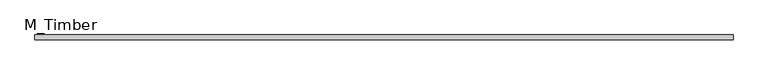
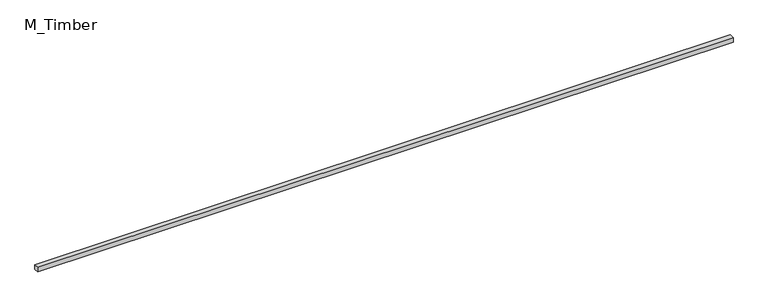
"""IFC4 building model written with IfcOpenShell, lengths in millimetres: beam geometry, M_Timber."""

from ifc_helpers import new_model, si_unit, frame, origin, place, context, project, spatial, polyline, outline, extrude, source, transform, mapped, element, save


def m_timber_94763f27(model_context):
    return source(origin(), model_context, "Body", "SweptSolid", [
        extrude(outline(polyline([(2922.5975552, 20.0), (2922.5975552, -20.0), (-2922.5975552, -20.0), (-2922.5975552, 20.0), (2922.5975552, 20.0)])), frame((0.0, 0.0, -20.0), z_axis=(0.0, 0.0, 1.0), x_axis=(1.0, 0.0, 0.0)), (0.0, 0.0, 1.0), 40.0),
    ])


if __name__ == "__main__":
    model = new_model("IFC4")
    model_context = context("Model", 3, world=origin())
    ifc_project = project(units=[si_unit("LENGTHUNIT", "METRE", prefix="MILLI")], contexts=[model_context])
    site = spatial("IfcSite", under=ifc_project)
    building = spatial("IfcBuilding", under=site)
    placement = place(None, origin())
    m_timber_shape = m_timber_94763f27(model_context)
    element("IfcBeam", 1, ObjectType="M_Timber", at=placement, inside=building, context=model_context, shape_type="MappedRepresentation", body=[
        mapped(m_timber_shape, transform((0.0, 0.0, 0.0), x_axis=(1.0, 0.0, 0.0), y_axis=(0.0, 1.0, 0.0), z_axis=(0.0, 0.0, 1.0))),
    ])
    save(model, "model.ifc")
